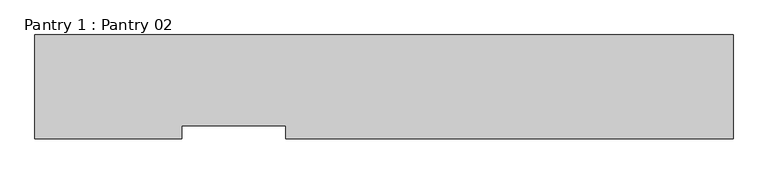
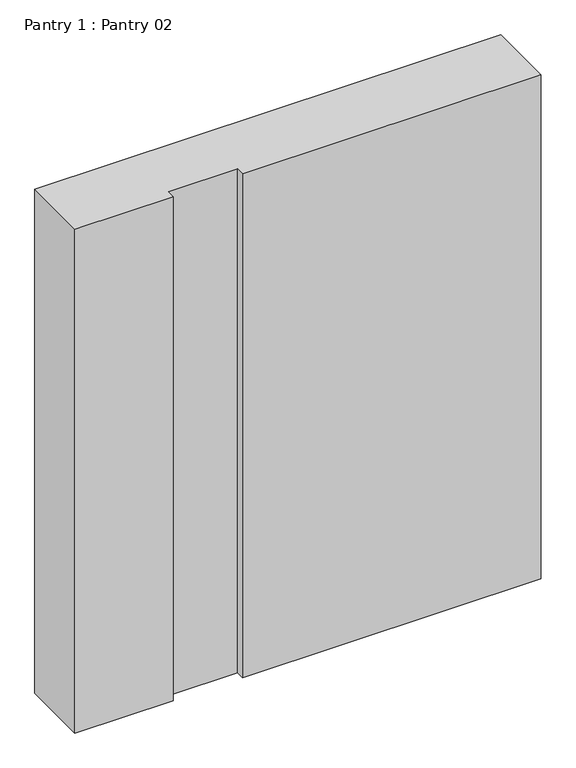
"""IFC4 building model written with IfcOpenShell, lengths in millimetres: furniture geometry, Pantry 1 : Pantry 02."""

from ifc_helpers import new_model, si_unit, frame, origin, place, context, project, spatial, polyline, outline, extrude, source, transform, mapped, element, save


def pantry_1_pantry_02_b6883fc1(model_context):
    return source(origin(), model_context, "Body", "SweptSolid", [
        extrude(outline(polyline([(97841.4549398, -29723.4625973), (97841.4549398, -30123.4625973), (96118.7769414, -30123.4625973), (96118.7769414, -30073.4625973), (95718.7769414, -30073.4625973), (95718.7769414, -30123.4625973), (95152.9696444, -30123.4625973), (95152.9696444, -29723.4625973), (97841.4549398, -29723.4625973)])), frame((0.0, 0.0, 68000.0), z_axis=(0.0, 0.0, 1.0), x_axis=(1.0, 0.0, 0.0)), (0.0, 0.0, 1.0), 3070.0),
    ])


if __name__ == "__main__":
    model = new_model("IFC4")
    model_context = context("Model", 3, world=origin())
    ifc_project = project(units=[si_unit("LENGTHUNIT", "METRE", prefix="MILLI")], contexts=[model_context])
    site = spatial("IfcSite", under=ifc_project)
    building = spatial("IfcBuilding", under=site)
    placement = place(None, origin())
    pantry_1_pantry_02_shape = pantry_1_pantry_02_b6883fc1(model_context)
    element("IfcFurniture", 1, ObjectType="Pantry 1 : Pantry 02", at=placement, inside=building, context=model_context, shape_type="MappedRepresentation", body=[
        mapped(pantry_1_pantry_02_shape, transform((0.0, 0.0, 0.0), x_axis=(1.0, 0.0, 0.0), y_axis=(0.0, 1.0, 0.0), z_axis=(0.0, 0.0, 1.0))),
    ])
    save(model, "model.ifc")
